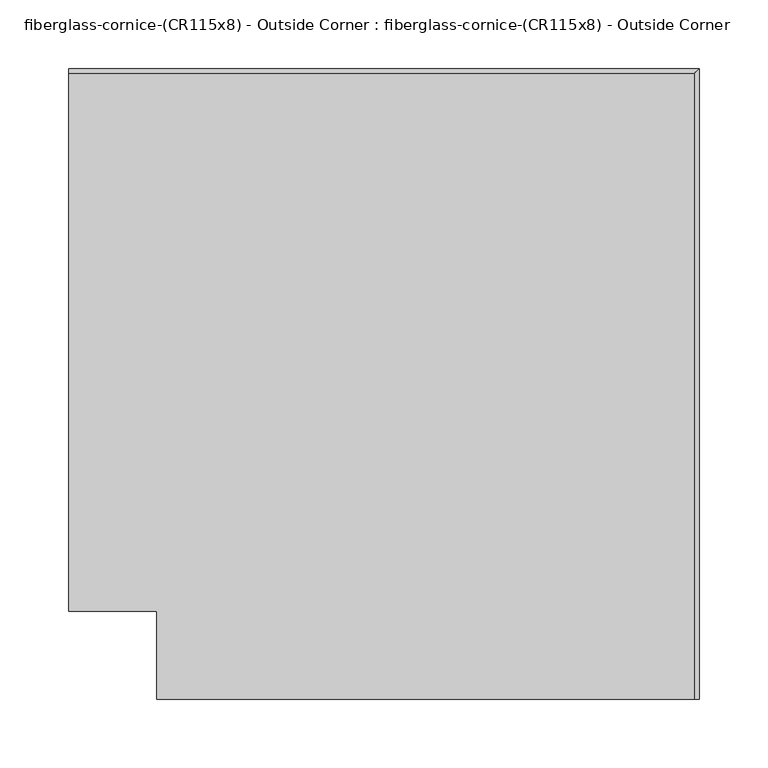
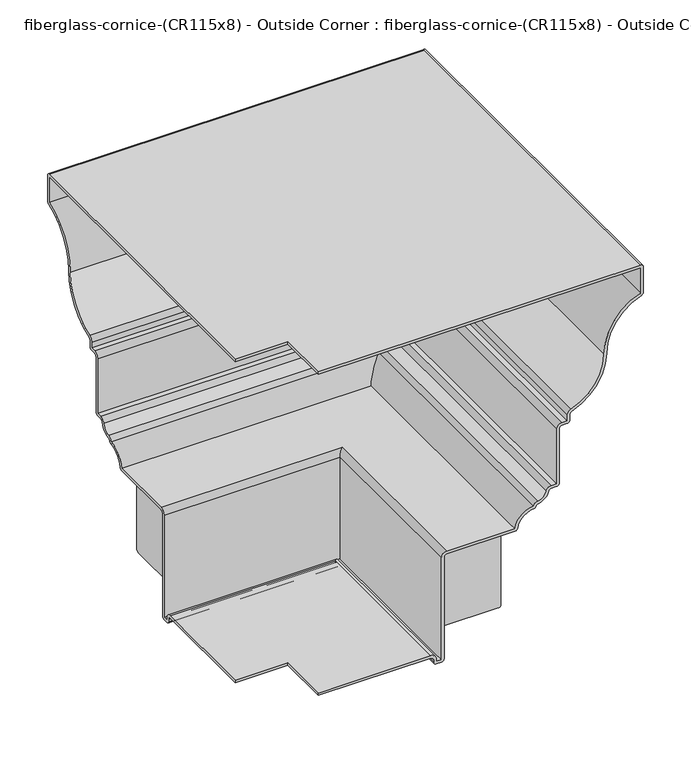
"""IFC4 building model written with IfcOpenShell, lengths in millimetres: furniture geometry, fiberglass-cornice-(CR115x8) - Outside Corner : fiberglass-cornice-(CR115x8) - Outside Corner."""

from ifc_helpers import new_model, si_unit, frame, origin, place, context, project, spatial, polyline, circle_curve, ellipse_curve, source, transform, mapped, element, save
from ifc_brep_helpers import plane_surface, cylinder_surface, revolved_surface, advanced_brep


def fiberglass_cornice_cr115x8_outside_corner_fiberglass_cornice_b99825be(model_context):
    return source(origin(), model_context, "Body", "AdvancedBrep", [
        advanced_brep(
        [(-107.9812347, 254.0002669, 133.3535912), (-107.9812347, 254.0002669, 34.9351726), (-107.9812347, 327.0745896, 34.9351726), (-107.9812347, 330.231667, 38.09225), (-107.9812347, 330.231667, 136.5250208), (-107.9812347, 257.175265, 136.5250208), (-184.2126348, 254.0002669, 133.3535912), (-184.2126348, 257.1752649, 136.5250039), (-184.2126348, 330.231667, 136.5250208), (-184.2126348, 330.231667, 38.09225), (-184.2126348, 327.0745896, 34.9351726), (-184.2126348, 254.0002669, 34.9351726)],
        [
            (0, 1),
            (1, 2),
            (2, 3, circle_curve(frame((-107.9812347, 327.0745896, 38.09225), z_axis=(1.0, 0.0, 0.0), x_axis=(0.0, 1.0, 0.0)), 3.1570774)),
            (3, 4),
            (4, 5),
            (5, 0, circle_curve(frame((-107.9812347, 257.1752649, 133.3500039), z_axis=(1.0, 0.0, 0.0), x_axis=(0.0, 1.0, 0.0)), 3.175)),
            (6, 7, circle_curve(frame((-184.2126348, 257.1752649, 133.3500039), z_axis=(-1.0, 0.0, 0.0), x_axis=(0.0, 1.0, 0.0)), 3.175)),
            (7, 8),
            (8, 9),
            (9, 10, circle_curve(frame((-184.2126348, 327.0745896, 38.09225), z_axis=(-1.0, 0.0, 0.0), x_axis=(0.0, 1.0, 0.0)), 3.1570774)),
            (10, 11),
            (11, 6),
            (5, 7),
            (6, 0),
            (4, 8),
            (3, 9),
            (2, 10),
            (1, 11),
        ],
        [
            plane_surface(frame((-107.9812347, 260.3502649, 133.3500039), z_axis=(1.0, 0.0, 0.0), x_axis=(0.0, 0.0, -1.0))),
            plane_surface(frame((-184.2126348, 260.3502649, 133.3500039), z_axis=(-1.0, 0.0, 0.0), x_axis=(0.0, 0.0, 1.0))),
            cylinder_surface(frame((-184.2126348, 257.1752649, 133.3500039), z_axis=(1.0, 0.0, 0.0), x_axis=(0.0, 1.0, 0.0)), 3.175),
            plane_surface(frame((-107.9812347, 257.175265, 136.5250208), z_axis=(0.0, 0.0, 1.0), x_axis=(-1.0, 0.0, 0.0))),
            plane_surface(frame((-107.9812347, 330.231667, 136.5250208), z_axis=(0.0, 1.0, 0.0), x_axis=(-1.0, 0.0, 0.0))),
            cylinder_surface(frame((-184.2126348, 327.0745896, 38.09225), z_axis=(1.0, 0.0, 0.0), x_axis=(0.0, 1.0, 0.0)), 3.1570774),
            plane_surface(frame((-107.9812347, 327.0745896, 34.9351726), z_axis=(0.0, 0.0, -1.0), x_axis=(-1.0, 0.0, 0.0))),
            plane_surface(frame((-107.9812347, 254.0002669, 34.9351726), z_axis=(0.0, -1.0, 0.0), x_axis=(-1.0, 0.0, 0.0))),
        ],
        [
            (0, [[1, 2, 3, 4, 5, 6]]),
            (1, [[7, 8, 9, 10, 11, 12]]),
            (2, [[13, -7, 14, -6]]),
            (3, [[15, -8, -13, -5]]),
            (4, [[16, -9, -15, -4]]),
            (5, [[17, -10, -16, -3]]),
            (6, [[18, -11, -17, -2]]),
            (7, [[-14, -12, -18, -1]]),
        ],
    ),
        advanced_brep(
        [(-6.3498347, 254.0002669, 133.3535912), (-6.3498347, 254.0002669, 34.9351726), (-6.3498347, 327.0745896, 34.9351726), (-6.3498347, 330.231667, 38.09225), (-6.3498347, 330.231667, 136.5250208), (-6.3498347, 257.175265, 136.5250208), (-82.5812347, 254.0002669, 133.3535912), (-82.5812347, 257.1752649, 136.5250039), (-82.5812347, 330.231667, 136.5250208), (-82.5812347, 330.231667, 38.09225), (-82.5812347, 327.0745896, 34.9351726), (-82.5812347, 254.0002669, 34.9351726)],
        [
            (0, 1),
            (1, 2),
            (2, 3, circle_curve(frame((-6.3498347, 327.0745896, 38.09225), z_axis=(1.0, 0.0, 0.0), x_axis=(0.0, 1.0, 0.0)), 3.1570774)),
            (3, 4),
            (4, 5),
            (5, 0, circle_curve(frame((-6.3498347, 257.1752649, 133.3500039), z_axis=(1.0, 0.0, 0.0), x_axis=(0.0, 1.0, 0.0)), 3.175)),
            (6, 7, circle_curve(frame((-82.5812347, 257.1752649, 133.3500039), z_axis=(-1.0, 0.0, 0.0), x_axis=(0.0, 1.0, 0.0)), 3.175)),
            (7, 8),
            (8, 9),
            (9, 10, circle_curve(frame((-82.5812347, 327.0745896, 38.09225), z_axis=(-1.0, 0.0, 0.0), x_axis=(0.0, 1.0, 0.0)), 3.1570774)),
            (10, 11),
            (11, 6),
            (5, 7),
            (6, 0),
            (4, 8),
            (3, 9),
            (2, 10),
            (1, 11),
        ],
        [
            plane_surface(frame((-6.3498347, 260.3502649, 133.3500039), z_axis=(1.0, 0.0, 0.0), x_axis=(0.0, 0.0, -1.0))),
            plane_surface(frame((-82.5812347, 260.3502649, 133.3500039), z_axis=(-1.0, 0.0, 0.0), x_axis=(0.0, 0.0, 1.0))),
            cylinder_surface(frame((-82.5812347, 257.1752649, 133.3500039), z_axis=(1.0, 0.0, 0.0), x_axis=(0.0, 1.0, 0.0)), 3.175),
            plane_surface(frame((-6.3498347, 257.175265, 136.5250208), z_axis=(0.0, 0.0, 1.0), x_axis=(-1.0, 0.0, 0.0))),
            plane_surface(frame((-6.3498347, 330.231667, 136.5250208), z_axis=(0.0, 1.0, 0.0), x_axis=(-1.0, 0.0, 0.0))),
            cylinder_surface(frame((-82.5812347, 327.0745896, 38.09225), z_axis=(1.0, 0.0, 0.0), x_axis=(0.0, 1.0, 0.0)), 3.1570774),
            plane_surface(frame((-6.3498347, 327.0745896, 34.9351726), z_axis=(0.0, 0.0, -1.0), x_axis=(-1.0, 0.0, 0.0))),
            plane_surface(frame((-6.3498347, 254.0002669, 34.9351726), z_axis=(0.0, -1.0, 0.0), x_axis=(-1.0, 0.0, 0.0))),
        ],
        [
            (0, [[1, 2, 3, 4, 5, 6]]),
            (1, [[7, 8, 9, 10, 11, 12]]),
            (2, [[13, -7, 14, -6]]),
            (3, [[15, -8, -13, -5]]),
            (4, [[16, -9, -15, -4]]),
            (5, [[17, -10, -16, -3]]),
            (6, [[18, -11, -17, -2]]),
            (7, [[-14, -12, -18, -1]]),
        ],
    ),
        advanced_brep(
        [(19.0504155, 126.9686167, 133.3535912), (22.2254135, 126.9686167, 136.5250039), (95.2818156, 126.9686167, 136.5250208), (95.2818156, 126.9686167, 38.09225), (92.1247382, 126.9686167, 34.9351726), (19.0504155, 126.9686167, 34.9351726), (19.0504155, 50.7372166, 133.3535912), (19.0504155, 50.7372166, 34.9351726), (92.1247382, 50.7372166, 34.9351726), (95.2818156, 50.7372166, 38.09225), (95.2818156, 50.7372166, 136.5250208), (22.2254136, 50.7372166, 136.5250208)],
        [
            (0, 1, circle_curve(frame((22.2254135, 126.9686167, 133.3500039), z_axis=(0.0, 1.0, 0.0), x_axis=(1.0, 0.0, 0.0)), 3.175)),
            (1, 2),
            (2, 3),
            (3, 4, circle_curve(frame((92.1247382, 126.9686167, 38.09225), z_axis=(0.0, 1.0, 0.0), x_axis=(1.0, 0.0, 0.0)), 3.1570774)),
            (4, 5),
            (5, 0),
            (6, 7),
            (7, 8),
            (8, 9, circle_curve(frame((92.1247382, 50.7372166, 38.09225), z_axis=(0.0, -1.0, 0.0), x_axis=(1.0, 0.0, 0.0)), 3.1570774)),
            (9, 10),
            (10, 11),
            (11, 6, circle_curve(frame((22.2254135, 50.7372166, 133.3500039), z_axis=(0.0, -1.0, 0.0), x_axis=(1.0, 0.0, 0.0)), 3.175)),
            (0, 6),
            (11, 1),
            (10, 2),
            (9, 3),
            (8, 4),
            (7, 5),
        ],
        [
            plane_surface(frame((25.4004135, 126.9686167, 133.3500039), z_axis=(0.0, 1.0, 0.0), x_axis=(0.0, 0.0, -1.0))),
            plane_surface(frame((25.4004135, 50.7372166, 133.3500039), z_axis=(0.0, -1.0, 0.0), x_axis=(0.0, 0.0, 1.0))),
            cylinder_surface(frame((22.2254135, 50.7372166, 133.3500039), z_axis=(0.0, 1.0, 0.0), x_axis=(1.0, 0.0, 0.0)), 3.175),
            plane_surface(frame((22.2254136, 126.9686167, 136.5250208), z_axis=(0.0, 0.0, 1.0), x_axis=(0.0, -1.0, 0.0))),
            plane_surface(frame((95.2818156, 126.9686167, 136.5250208), z_axis=(1.0, 0.0, 0.0), x_axis=(0.0, -1.0, 0.0))),
            cylinder_surface(frame((92.1247382, 50.7372166, 38.09225), z_axis=(0.0, 1.0, 0.0), x_axis=(1.0, 0.0, 0.0)), 3.1570774),
            plane_surface(frame((92.1247382, 126.9686167, 34.9351726), z_axis=(0.0, 0.0, -1.0), x_axis=(0.0, -1.0, 0.0))),
            plane_surface(frame((19.0504155, 126.9686167, 34.9351726), z_axis=(-1.0, 0.0, 0.0), x_axis=(0.0, -1.0, 0.0))),
        ],
        [
            (0, [[1, 2, 3, 4, 5, 6]]),
            (1, [[7, 8, 9, 10, 11, 12]]),
            (2, [[-1, 13, -12, 14]]),
            (3, [[-2, -14, -11, 15]]),
            (4, [[-3, -15, -10, 16]]),
            (5, [[-4, -16, -9, 17]]),
            (6, [[-5, -17, -8, 18]]),
            (7, [[-6, -18, -7, -13]]),
        ],
    ),
        advanced_brep(
        [(19.0504155, 228.6000168, 133.3535912), (22.2254135, 228.6000168, 136.5250039), (95.2818156, 228.6000168, 136.5250208), (95.2818156, 228.6000168, 38.09225), (92.1247382, 228.6000168, 34.9351726), (19.0504155, 228.6000168, 34.9351726), (19.0504155, 152.3686167, 133.3535912), (19.0504155, 152.3686167, 34.9351726), (92.1247382, 152.3686167, 34.9351726), (95.2818156, 152.3686167, 38.09225), (95.2818156, 152.3686167, 136.5250208), (22.2254136, 152.3686167, 136.5250208)],
        [
            (0, 1, circle_curve(frame((22.2254135, 228.6000168, 133.3500039), z_axis=(0.0, 1.0, 0.0), x_axis=(1.0, 0.0, 0.0)), 3.175)),
            (1, 2),
            (2, 3),
            (3, 4, circle_curve(frame((92.1247382, 228.6000168, 38.09225), z_axis=(0.0, 1.0, 0.0), x_axis=(1.0, 0.0, 0.0)), 3.1570774)),
            (4, 5),
            (5, 0),
            (6, 7),
            (7, 8),
            (8, 9, circle_curve(frame((92.1247382, 152.3686167, 38.09225), z_axis=(0.0, -1.0, 0.0), x_axis=(1.0, 0.0, 0.0)), 3.1570774)),
            (9, 10),
            (10, 11),
            (11, 6, circle_curve(frame((22.2254135, 152.3686167, 133.3500039), z_axis=(0.0, -1.0, 0.0), x_axis=(1.0, 0.0, 0.0)), 3.175)),
            (0, 6),
            (11, 1),
            (10, 2),
            (9, 3),
            (8, 4),
            (7, 5),
        ],
        [
            plane_surface(frame((25.4004135, 228.6000168, 133.3500039), z_axis=(0.0, 1.0, 0.0), x_axis=(0.0, 0.0, -1.0))),
            plane_surface(frame((25.4004135, 152.3686167, 133.3500039), z_axis=(0.0, -1.0, 0.0), x_axis=(0.0, 0.0, 1.0))),
            cylinder_surface(frame((22.2254135, 152.3686167, 133.3500039), z_axis=(0.0, 1.0, 0.0), x_axis=(1.0, 0.0, 0.0)), 3.175),
            plane_surface(frame((22.2254136, 228.6000168, 136.5250208), z_axis=(0.0, 0.0, 1.0), x_axis=(0.0, -1.0, 0.0))),
            plane_surface(frame((95.2818156, 228.6000168, 136.5250208), z_axis=(1.0, 0.0, 0.0), x_axis=(0.0, -1.0, 0.0))),
            cylinder_surface(frame((92.1247382, 152.3686167, 38.09225), z_axis=(0.0, 1.0, 0.0), x_axis=(1.0, 0.0, 0.0)), 3.1570774),
            plane_surface(frame((92.1247382, 228.6000168, 34.9351726), z_axis=(0.0, 0.0, -1.0), x_axis=(0.0, -1.0, 0.0))),
            plane_surface(frame((19.0504155, 228.6000168, 34.9351726), z_axis=(-1.0, 0.0, 0.0), x_axis=(0.0, -1.0, 0.0))),
        ],
        [
            (0, [[1, 2, 3, 4, 5, 6]]),
            (1, [[7, 8, 9, 10, 11, 12]]),
            (2, [[-1, 13, -12, 14]]),
            (3, [[-2, -14, -11, 15]]),
            (4, [[-3, -15, -10, 16]]),
            (5, [[-4, -16, -9, 17]]),
            (6, [[-5, -17, -8, 18]]),
            (7, [[-6, -18, -7, -13]]),
        ],
    ),
        advanced_brep(
        [(-196.9488213, 101.6, 423.8624861), (-196.9488213, 492.1344313, 423.8624861), (-196.9488213, 495.3000111, 420.6847078), (-196.9488213, 495.3000111, 388.0554961), (-196.9488213, 493.1724909, 385.0610541), (-196.9488213, 450.8500123, 325.4375001), (-196.9488213, 408.5275337, 265.8139461), (-196.9488213, 406.4000123, 262.8167118), (-196.9488213, 406.4000121, 255.5875001), (-196.9488213, 403.2250123, 252.4125001), (-196.9488213, 396.8706102, 252.4124971), (-196.9488213, 393.7000123, 249.2375001), (-196.9488213, 393.7000123, 179.3875001), (-196.9488213, 390.520327, 176.2125036), (-196.9488213, 383.8030364, 176.2125036), (-196.9488213, 380.6951554, 173.6868832), (-196.9488213, 367.925488, 161.9912934), (-196.9488213, 365.2162002, 159.5939258), (-196.9488213, 362.3268346, 157.1803512), (-196.9488213, 343.0839049, 139.2776723), (-196.9488213, 339.9320454, 136.5250042), (-196.9488213, 257.1750072, 136.5250042), (-196.9488213, 254.0000168, 133.3446651), (-196.9488213, 254.0000168, 3.1750002), (-196.9488213, 250.8250123, 1e-07), (-196.9488213, 244.4750123, 0.0), (-196.9488213, 241.3000123, 3.1750001), (-196.9488213, 241.3000104, 6.3465418), (-196.9488213, 238.1250123, 9.5250001), (-196.9488213, 101.6, 9.5250001), (-196.9488213, 101.6, 12.7000001), (-196.9488213, 238.1250123, 12.7000001), (-196.9488213, 244.4750104, 6.3451093), (-196.9488213, 244.4750104, 3.175), (-196.9488213, 250.8250168, 3.175), (-196.9488213, 250.8250168, 133.3424553), (-196.9488213, 257.1750021, 139.7000001), (-196.9488213, 339.9371192, 139.7000042), (-196.9488213, 362.1323882, 160.3493914), (-196.9488213, 367.5509638, 165.1441265), (-196.9488213, 377.587274, 174.3362663), (-196.9488213, 383.803036, 179.3875001), (-196.9488213, 390.5250123, 179.3875036), (-196.9488213, 390.5250123, 249.2375001), (-196.9488213, 396.8687868, 255.5874971), (-196.9488213, 403.2250121, 255.5874971), (-196.9488213, 403.2250121, 262.8167118), (-196.9488213, 407.480055, 268.8111805), (-196.9488213, 447.6750123, 325.4375001), (-196.9488213, 492.1250111, 388.058288), (-196.9488213, 492.1250111, 420.6874861), (-196.9488213, 101.6, 420.6874861), (-133.3496026, 38.0007813, 423.8624861), (-133.3496026, 38.0007813, 420.6874861), (257.1754085, 38.0007813, 420.6874861), (257.1754085, 38.0007813, 388.058288), (212.7254097, 38.0007813, 325.4375001), (172.5304524, 38.0007813, 268.8111805), (168.2754097, 38.0007813, 262.8167118), (168.2754096, 38.0007813, 255.5874971), (161.9191842, 38.0007813, 255.5874971), (155.5754097, 38.0007813, 249.2375001), (155.5754097, 38.0007813, 179.3875036), (148.8534338, 38.0007813, 179.3875036), (142.6376714, 38.0007813, 174.3362663), (132.6013612, 38.0007813, 165.1441265), (127.1827856, 38.0007813, 160.3493914), (104.9875166, 38.0007813, 139.7000042), (22.2254046, 38.0007813, 139.7000042), (15.8754142, 38.0007813, 133.3424553), (15.8754142, 38.0007813, 3.175), (9.5254078, 38.0007813, 3.175), (9.5254078, 38.0007813, 6.3451093), (3.1754097, 38.0007813, 12.7000001), (-133.3496026, 38.0007813, 12.7000001), (-133.3496026, 38.0007813, 9.5250001), (3.1754097, 38.0007813, 9.5250001), (6.3504078, 38.0007813, 6.3465418), (6.3504078, 38.0007813, 3.1750002), (9.5254097, 38.0007813, 1e-07), (15.8754097, 38.0007813, 0.0), (19.0504097, 38.0007813, 3.1750001), (19.0504142, 38.0007813, 133.3446651), (22.2254046, 38.0007813, 136.5250001), (104.9824428, 38.0007813, 136.5250042), (108.1343023, 38.0007813, 139.2776723), (127.377232, 38.0007813, 157.1803512), (130.2665976, 38.0007813, 159.5939258), (132.9758854, 38.0007813, 161.9912934), (145.7455528, 38.0007813, 173.6868832), (148.8534338, 38.0007813, 176.2125001), (155.5707244, 38.0007813, 176.2125036), (158.7504097, 38.0007813, 179.3875001), (158.7504097, 38.0007813, 249.2375001), (161.9210076, 38.0007813, 252.4124971), (168.2754097, 38.0007813, 252.4124971), (171.4504097, 38.0007813, 255.5875001), (171.4504096, 38.0007813, 262.8167118), (173.5779311, 38.0007813, 265.8139461), (215.9004097, 38.0007813, 325.4375001), (258.2228883, 38.0007813, 385.0610541), (260.3504085, 38.0007813, 388.0554961), (260.3504085, 38.0007813, 420.6847078), (257.1848287, 38.0007813, 423.8624861), (260.3504085, 495.3000111, 420.6847078), (257.1848287, 492.1344313, 423.8624861), (260.3504085, 495.3000111, 388.0554961), (258.2228883, 493.1724909, 385.0610541), (215.9004097, 450.8500123, 325.4375001), (173.5779311, 408.5275337, 265.8139461), (171.4504097, 406.4000123, 262.8167118), (171.4504096, 406.4000121, 255.5875001), (168.2754097, 403.2250123, 252.4125001), (158.7504097, 393.7000123, 249.2375001), (161.9210076, 396.8706102, 252.4124971), (158.7504097, 393.7000123, 179.3875001), (155.5707244, 390.520327, 176.2125036), (145.7455528, 380.6951554, 173.6868832), (148.8534338, 383.8030364, 176.2125001), (132.9758854, 367.925488, 161.9912934), (130.2665976, 365.2162002, 159.5939258), (127.377232, 362.3268346, 157.1803512), (108.1343023, 343.0839049, 139.2776723), (104.9824428, 339.9320454, 136.5250042), (19.0504142, 254.0000168, 133.3446651), (22.2254046, 257.1750072, 136.5250001), (19.0504142, 254.0000168, 3.1750002), (15.8754097, 250.8250123, 1e-07), (6.3504097, 241.3000123, 3.1750001), (9.5254097, 244.4750123, 1e-07), (6.3504078, 241.3000104, 6.3465418), (3.1754097, 238.1250123, 9.5250001), (-133.3496026, 101.6, 12.7000001), (-133.3496026, 101.6, 9.5250001), (9.5254078, 244.4750104, 6.3451093), (3.1754097, 238.1250123, 12.7000001), (9.5254078, 244.4750104, 3.175), (15.8754142, 250.8250168, 133.3424553), (15.8754142, 250.8250168, 3.175), (22.2253995, 257.1750021, 139.7000001), (127.1827856, 362.1323882, 160.3493914), (104.9875166, 339.9371192, 139.7000042), (132.6013612, 367.5509638, 165.1441265), (142.6376714, 377.587274, 174.3362663), (148.8534334, 383.803036, 179.3875001), (155.5754097, 390.5250123, 249.2375001), (155.5754097, 390.5250123, 179.3875036), (161.9191842, 396.8687868, 255.5874971), (168.2754096, 403.2250121, 262.8167118), (168.2754096, 403.2250121, 255.5874971), (172.5304524, 407.480055, 268.8111805), (212.7254097, 447.6750123, 325.4375001), (257.1754085, 492.1250111, 388.058288), (257.1754085, 492.1250111, 420.6874861), (-133.3496026, 101.6, 423.8624861), (-133.3496026, 101.6, 420.6874861)],
        [
            (0, 1),
            (1, 2, circle_curve(frame((-196.9488213, 492.1250123, 420.6875001), z_axis=(-1.0, 0.0, 0.0), x_axis=(0.0, -1.0, 0.0)), 3.175)),
            (2, 3),
            (3, 4, circle_curve(frame((-196.9488213, 492.1250123, 388.0582884), z_axis=(-1.0, 0.0, 0.0), x_axis=(0.0, -1.0, 0.0)), 3.175)),
            (4, 5, circle_curve(frame((-196.9488213, 514.0098337, 325.4375001), z_axis=(1.0, 0.0, 0.0), x_axis=(0.0, -1.0, 0.0)), 63.1598214)),
            (5, 6, circle_curve(frame((-196.9488213, 387.6901909, 325.4375001), z_axis=(-1.0, 0.0, 0.0), x_axis=(0.0, -1.0, 0.0)), 63.1598214)),
            (6, 7, circle_curve(frame((-196.9488213, 409.5750123, 262.8167118), z_axis=(1.0, 0.0, 0.0), x_axis=(0.0, -1.0, 0.0)), 3.175)),
            (7, 8),
            (8, 9, circle_curve(frame((-196.9488213, 403.2250123, 255.5875001), z_axis=(-1.0, 0.0, 0.0), x_axis=(0.0, -1.0, 0.0)), 3.175)),
            (9, 10),
            (10, 11, circle_curve(frame((-196.9488213, 396.8750123, 249.2375001), z_axis=(1.0, 0.0, 0.0), x_axis=(0.0, -1.0, 0.0)), 3.175)),
            (11, 12),
            (12, 13, circle_curve(frame((-196.9488213, 390.5250123, 179.3875001), z_axis=(-1.0, 0.0, 0.0), x_axis=(0.0, -1.0, 0.0)), 3.175)),
            (13, 14),
            (14, 15, circle_curve(frame((-196.9488213, 383.8030368, 173.0375001), z_axis=(1.0, 0.0, 0.0), x_axis=(0.0, -1.0, 0.0)), 3.175)),
            (15, 16, circle_curve(frame((-196.9488213, 366.1757898, 176.7206641), z_axis=(-1.0, 0.0, 0.0), x_axis=(0.0, -1.0, 0.0)), 14.8329297)),
            (16, 17, circle_curve(frame((-196.9488213, 368.3000123, 158.8384603), z_axis=(1.0, 0.0, 0.0), x_axis=(0.0, -1.0, 0.0)), 3.175)),
            (17, 18, circle_curve(frame((-196.9488213, 362.1323882, 160.3493914), z_axis=(-1.0, 0.0, 0.0), x_axis=(0.0, -1.0, 0.0)), 3.175)),
            (18, 19, circle_curve(frame((-196.9488213, 363.5942087, 136.5250001), z_axis=(1.0, 0.0, 0.0), x_axis=(0.0, -1.0, 0.0)), 20.6941964)),
            (19, 20, circle_curve(frame((-196.9488213, 339.9371186, 139.7000001), z_axis=(-1.0, 0.0, 0.0), x_axis=(0.0, -1.0, 0.0)), 3.175)),
            (20, 21),
            (21, 22, circle_curve(frame((-196.9488213, 257.1750123, 133.3500001), z_axis=(1.0, 0.0, 0.0), x_axis=(0.0, -1.0, 0.0)), 3.175)),
            (22, 23),
            (23, 24, circle_curve(frame((-196.9488213, 250.8250123, 3.1750001), z_axis=(-1.0, 0.0, 0.0), x_axis=(0.0, -1.0, 0.0)), 3.175)),
            (24, 25),
            (25, 26, circle_curve(frame((-196.9488213, 244.4750123, 3.1750001), z_axis=(-1.0, 0.0, 0.0), x_axis=(0.0, -1.0, 0.0)), 3.175)),
            (26, 27),
            (27, 28, circle_curve(frame((-196.9488213, 238.1250123, 6.3500001), z_axis=(1.0, 0.0, 0.0), x_axis=(0.0, -1.0, 0.0)), 3.175)),
            (28, 29),
            (29, 30),
            (30, 31),
            (31, 32, circle_curve(frame((-196.9488213, 238.1250123, 6.3500001), z_axis=(-1.0, 0.0, 0.0), x_axis=(0.0, -1.0, 0.0)), 6.35)),
            (32, 33),
            (33, 34),
            (34, 35),
            (35, 36, circle_curve(frame((-196.9488213, 257.1750123, 133.3500001), z_axis=(-1.0, 0.0, 0.0), x_axis=(0.0, -1.0, 0.0)), 6.35)),
            (36, 37),
            (37, 38, circle_curve(frame((-196.9488213, 363.5942087, 136.5250001), z_axis=(-1.0, 0.0, 0.0), x_axis=(0.0, -1.0, 0.0)), 23.8691964)),
            (38, 39, circle_curve(frame((-196.9488213, 368.3000123, 158.8384603), z_axis=(-1.0, 0.0, 0.0), x_axis=(0.0, -1.0, 0.0)), 6.35)),
            (39, 40, circle_curve(frame((-196.9488213, 366.1757898, 176.7206641), z_axis=(1.0, 0.0, 0.0), x_axis=(0.0, -1.0, 0.0)), 11.6579297)),
            (40, 41, circle_curve(frame((-196.9488213, 383.8030368, 173.0375001), z_axis=(-1.0, 0.0, 0.0), x_axis=(0.0, -1.0, 0.0)), 6.35)),
            (41, 42),
            (42, 43),
            (43, 44, circle_curve(frame((-196.9488213, 396.8750123, 249.2375001), z_axis=(-1.0, 0.0, 0.0), x_axis=(0.0, -1.0, 0.0)), 6.35)),
            (44, 45),
            (45, 46),
            (46, 47, circle_curve(frame((-196.9488213, 409.5750123, 262.8167118), z_axis=(-1.0, 0.0, 0.0), x_axis=(0.0, -1.0, 0.0)), 6.35)),
            (47, 48, circle_curve(frame((-196.9488213, 387.6901909, 325.4375001), z_axis=(1.0, 0.0, 0.0), x_axis=(0.0, -1.0, 0.0)), 59.9848214)),
            (48, 49, circle_curve(frame((-196.9488213, 514.0098337, 325.4375001), z_axis=(-1.0, 0.0, 0.0), x_axis=(0.0, -1.0, 0.0)), 66.3348214)),
            (49, 50),
            (50, 51),
            (51, 0),
            (52, 53),
            (53, 54),
            (54, 55),
            (55, 56, circle_curve(frame((279.0602311, 38.0007813, 325.4375001), z_axis=(0.0, -1.0, 0.0), x_axis=(-1.0, 0.0, 0.0)), 66.3348214)),
            (56, 57, circle_curve(frame((152.7405883, 38.0007813, 325.4375001), z_axis=(0.0, 1.0, 0.0), x_axis=(-1.0, 0.0, 0.0)), 59.9848214)),
            (57, 58, circle_curve(frame((174.6254097, 38.0007813, 262.8167118), z_axis=(0.0, -1.0, 0.0), x_axis=(-1.0, 0.0, 0.0)), 6.35)),
            (58, 59),
            (59, 60),
            (60, 61, circle_curve(frame((161.9254097, 38.0007813, 249.2375001), z_axis=(0.0, -1.0, 0.0), x_axis=(-1.0, 0.0, 0.0)), 6.35)),
            (61, 62),
            (62, 63),
            (63, 64, circle_curve(frame((148.8534342, 38.0007813, 173.0375001), z_axis=(0.0, -1.0, 0.0), x_axis=(-1.0, 0.0, 0.0)), 6.35)),
            (64, 65, circle_curve(frame((131.2261872, 38.0007813, 176.7206641), z_axis=(0.0, 1.0, 0.0), x_axis=(-1.0, 0.0, 0.0)), 11.6579297)),
            (65, 66, circle_curve(frame((133.3504097, 38.0007813, 158.8384603), z_axis=(0.0, -1.0, 0.0), x_axis=(-1.0, 0.0, 0.0)), 6.35)),
            (66, 67, circle_curve(frame((128.6446061, 38.0007813, 136.5250001), z_axis=(0.0, -1.0, 0.0), x_axis=(-1.0, 0.0, 0.0)), 23.8691964)),
            (67, 68),
            (68, 69, circle_curve(frame((22.2254097, 38.0007813, 133.3500001), z_axis=(0.0, -1.0, 0.0), x_axis=(-1.0, 0.0, 0.0)), 6.35)),
            (69, 70),
            (70, 71),
            (71, 72),
            (72, 73, circle_curve(frame((3.1754097, 38.0007813, 6.3500001), z_axis=(0.0, -1.0, 0.0), x_axis=(-1.0, 0.0, 0.0)), 6.35)),
            (73, 74),
            (74, 75),
            (75, 76),
            (76, 77, circle_curve(frame((3.1754097, 38.0007813, 6.3500001), z_axis=(0.0, 1.0, 0.0), x_axis=(-1.0, 0.0, 0.0)), 3.175)),
            (77, 78),
            (78, 79, circle_curve(frame((9.5254097, 38.0007813, 3.1750001), z_axis=(0.0, -1.0, 0.0), x_axis=(-1.0, 0.0, 0.0)), 3.175)),
            (79, 80),
            (80, 81, circle_curve(frame((15.8754097, 38.0007813, 3.1750001), z_axis=(0.0, -1.0, 0.0), x_axis=(-1.0, 0.0, 0.0)), 3.175)),
            (81, 82),
            (82, 83, circle_curve(frame((22.2254097, 38.0007813, 133.3500001), z_axis=(0.0, 1.0, 0.0), x_axis=(-1.0, 0.0, 0.0)), 3.175)),
            (83, 84),
            (84, 85, circle_curve(frame((104.987516, 38.0007813, 139.7000001), z_axis=(0.0, -1.0, 0.0), x_axis=(-1.0, 0.0, 0.0)), 3.175)),
            (85, 86, circle_curve(frame((128.6446061, 38.0007813, 136.5250001), z_axis=(0.0, 1.0, 0.0), x_axis=(-1.0, 0.0, 0.0)), 20.6941964)),
            (86, 87, circle_curve(frame((127.1827856, 38.0007813, 160.3493914), z_axis=(0.0, -1.0, 0.0), x_axis=(-1.0, 0.0, 0.0)), 3.175)),
            (87, 88, circle_curve(frame((133.3504097, 38.0007813, 158.8384603), z_axis=(0.0, 1.0, 0.0), x_axis=(-1.0, 0.0, 0.0)), 3.175)),
            (88, 89, circle_curve(frame((131.2261872, 38.0007813, 176.7206641), z_axis=(0.0, -1.0, 0.0), x_axis=(-1.0, 0.0, 0.0)), 14.8329297)),
            (89, 90, circle_curve(frame((148.8534342, 38.0007813, 173.0375001), z_axis=(0.0, 1.0, 0.0), x_axis=(-1.0, 0.0, 0.0)), 3.175)),
            (90, 91),
            (91, 92, circle_curve(frame((155.5754097, 38.0007813, 179.3875001), z_axis=(0.0, -1.0, 0.0), x_axis=(-1.0, 0.0, 0.0)), 3.175)),
            (92, 93),
            (93, 94, circle_curve(frame((161.9254097, 38.0007813, 249.2375001), z_axis=(0.0, 1.0, 0.0), x_axis=(-1.0, 0.0, 0.0)), 3.175)),
            (94, 95),
            (95, 96, circle_curve(frame((168.2754097, 38.0007813, 255.5875001), z_axis=(0.0, -1.0, 0.0), x_axis=(-1.0, 0.0, 0.0)), 3.175)),
            (96, 97),
            (97, 98, circle_curve(frame((174.6254097, 38.0007813, 262.8167118), z_axis=(0.0, 1.0, 0.0), x_axis=(-1.0, 0.0, 0.0)), 3.175)),
            (98, 99, circle_curve(frame((152.7405883, 38.0007813, 325.4375001), z_axis=(0.0, -1.0, 0.0), x_axis=(-1.0, 0.0, 0.0)), 63.1598214)),
            (99, 100, circle_curve(frame((279.0602311, 38.0007813, 325.4375001), z_axis=(0.0, 1.0, 0.0), x_axis=(-1.0, 0.0, 0.0)), 63.1598214)),
            (100, 101, circle_curve(frame((257.1754097, 38.0007813, 388.0582884), z_axis=(0.0, -1.0, 0.0), x_axis=(-1.0, 0.0, 0.0)), 3.175)),
            (101, 102),
            (102, 103, circle_curve(frame((257.1754097, 38.0007813, 420.6875001), z_axis=(0.0, -1.0, 0.0), x_axis=(-1.0, 0.0, 0.0)), 3.175)),
            (103, 52),
            (104, 105, ellipse_curve(frame((257.1754097, 492.1250123, 420.6875001), z_axis=(0.7071067811865446, -0.7071067811865503, 0.0), x_axis=(0.7071067811865503, 0.7071067811865447, 0.0)), 4.4901281, 3.175)),
            (105, 103),
            (102, 104),
            (106, 104),
            (101, 106),
            (107, 106, ellipse_curve(frame((257.1754097, 492.1250123, 388.0582884), z_axis=(0.7071067811865446, -0.7071067811865503, 0.0), x_axis=(0.7071067811865503, 0.7071067811865447, 0.0)), 4.4901281, 3.175)),
            (100, 107),
            (108, 107, ellipse_curve(frame((279.0602311, 514.0098337, 325.4375001), z_axis=(-0.7071067811865446, 0.7071067811865503, 0.0), x_axis=(-0.7071067811865503, -0.7071067811865447, 0.0)), 89.3214761, 63.1598214)),
            (99, 108),
            (109, 108, ellipse_curve(frame((152.7405883, 387.6901909, 325.4375001), z_axis=(0.7071067811865446, -0.7071067811865503, 0.0), x_axis=(0.7071067811865503, 0.7071067811865447, 0.0)), 89.3214761, 63.1598214)),
            (98, 109),
            (110, 109, ellipse_curve(frame((174.6254097, 409.5750123, 262.8167118), z_axis=(-0.7071067811865446, 0.7071067811865503, 0.0), x_axis=(-0.7071067811865503, -0.7071067811865447, 0.0)), 4.4901281, 3.175)),
            (97, 110),
            (111, 110),
            (96, 111),
            (112, 111, ellipse_curve(frame((168.2754097, 403.2250123, 255.5875001), z_axis=(0.7071067811865446, -0.7071067811865503, 0.0), x_axis=(0.7071067811865503, 0.7071067811865447, 0.0)), 4.4901281, 3.175)),
            (95, 112),
            (113, 114, ellipse_curve(frame((161.9254097, 396.8750123, 249.2375001), z_axis=(-0.7071067811865446, 0.7071067811865503, 0.0), x_axis=(-0.7071067811865503, -0.7071067811865447, 0.0)), 4.4901281, 3.175)),
            (114, 94),
            (93, 113),
            (115, 113),
            (92, 115),
            (116, 115, ellipse_curve(frame((155.5754097, 390.5250123, 179.3875001), z_axis=(0.7071067811865446, -0.7071067811865503, 0.0), x_axis=(0.7071067811865503, 0.7071067811865447, 0.0)), 4.4901281, 3.175)),
            (91, 116),
            (117, 118, ellipse_curve(frame((148.8534342, 383.8030368, 173.0375001), z_axis=(-0.7071067811865446, 0.7071067811865503, 0.0), x_axis=(-0.7071067811865503, -0.7071067811865447, 0.0)), 4.4901281, 3.175)),
            (118, 90),
            (89, 117),
            (119, 117, ellipse_curve(frame((131.2261872, 366.1757898, 176.7206641), z_axis=(0.7071067811865446, -0.7071067811865503, 0.0), x_axis=(0.7071067811865503, 0.7071067811865447, 0.0)), 20.9769304, 14.8329297)),
            (88, 119),
            (120, 119, ellipse_curve(frame((133.3504097, 368.3000123, 158.8384603), z_axis=(-0.7071067811865446, 0.7071067811865503, 0.0), x_axis=(-0.7071067811865503, -0.7071067811865447, 0.0)), 4.4901281, 3.175)),
            (87, 120),
            (121, 120, ellipse_curve(frame((127.1827856, 362.1323882, 160.3493914), z_axis=(0.7071067811865446, -0.7071067811865503, 0.0), x_axis=(0.7071067811865503, 0.7071067811865447, 0.0)), 4.4901281, 3.175)),
            (86, 121),
            (122, 121, ellipse_curve(frame((128.6446061, 363.5942087, 136.5250001), z_axis=(-0.7071067811865446, 0.7071067811865503, 0.0), x_axis=(-0.7071067811865503, -0.7071067811865447, 0.0)), 29.2660133, 20.6941964)),
            (85, 122),
            (123, 122, ellipse_curve(frame((104.987516, 339.9371186, 139.7000001), z_axis=(0.7071067811865446, -0.7071067811865503, 0.0), x_axis=(0.7071067811865503, 0.7071067811865447, 0.0)), 4.4901281, 3.175)),
            (84, 123),
            (124, 125, ellipse_curve(frame((22.2254097, 257.1750123, 133.3500001), z_axis=(-0.7071067811865446, 0.7071067811865503, 0.0), x_axis=(-0.7071067811865503, -0.7071067811865447, 0.0)), 4.4901281, 3.175)),
            (125, 83),
            (82, 124),
            (126, 124),
            (81, 126),
            (127, 126, ellipse_curve(frame((15.8754097, 250.8250123, 3.1750001), z_axis=(0.7071067811865446, -0.7071067811865503, 0.0), x_axis=(0.7071067811865503, 0.7071067811865447, 0.0)), 4.4901281, 3.175)),
            (80, 127),
            (128, 129, ellipse_curve(frame((9.5254097, 244.4750123, 3.1750001), z_axis=(0.7071067811865446, -0.7071067811865503, 0.0), x_axis=(0.7071067811865503, 0.7071067811865447, 0.0)), 4.4901281, 3.175)),
            (129, 79),
            (78, 128),
            (130, 128),
            (77, 130),
            (131, 130, ellipse_curve(frame((3.1754097, 238.1250123, 6.3500001), z_axis=(-0.7071067811865446, 0.7071067811865503, 0.0), x_axis=(-0.7071067811865503, -0.7071067811865447, 0.0)), 4.4901281, 3.175)),
            (76, 131),
            (132, 133),
            (133, 75),
            (74, 132),
            (134, 135, ellipse_curve(frame((3.1754097, 238.1250123, 6.3500001), z_axis=(0.7071067811865446, -0.7071067811865503, 0.0), x_axis=(0.7071067811865503, 0.7071067811865447, 0.0)), 8.9802561, 6.35)),
            (135, 73),
            (72, 134),
            (136, 134),
            (71, 136),
            (137, 138),
            (138, 70),
            (69, 137),
            (139, 137, ellipse_curve(frame((22.2254097, 257.1750123, 133.3500001), z_axis=(0.7071067811865446, -0.7071067811865503, 0.0), x_axis=(0.7071067811865503, 0.7071067811865447, 0.0)), 8.9802561, 6.35)),
            (68, 139),
            (140, 141, ellipse_curve(frame((128.6446061, 363.5942087, 136.5250001), z_axis=(0.7071067811865446, -0.7071067811865503, 0.0), x_axis=(0.7071067811865503, 0.7071067811865447, 0.0)), 33.7561413, 23.8691964)),
            (141, 67),
            (66, 140),
            (142, 140, ellipse_curve(frame((133.3504097, 368.3000123, 158.8384603), z_axis=(0.7071067811865446, -0.7071067811865503, 0.0), x_axis=(0.7071067811865503, 0.7071067811865447, 0.0)), 8.9802561, 6.35)),
            (65, 142),
            (143, 142, ellipse_curve(frame((131.2261872, 366.1757898, 176.7206641), z_axis=(-0.7071067811865446, 0.7071067811865503, 0.0), x_axis=(-0.7071067811865503, -0.7071067811865447, 0.0)), 16.4868024, 11.6579297)),
            (64, 143),
            (144, 143, ellipse_curve(frame((148.8534342, 383.8030368, 173.0375001), z_axis=(0.7071067811865446, -0.7071067811865503, 0.0), x_axis=(0.7071067811865503, 0.7071067811865447, 0.0)), 8.9802561, 6.35)),
            (63, 144),
            (145, 146),
            (146, 62),
            (61, 145),
            (147, 145, ellipse_curve(frame((161.9254097, 396.8750123, 249.2375001), z_axis=(0.7071067811865446, -0.7071067811865503, 0.0), x_axis=(0.7071067811865503, 0.7071067811865447, 0.0)), 8.9802561, 6.35)),
            (60, 147),
            (148, 149),
            (149, 59),
            (58, 148),
            (150, 148, ellipse_curve(frame((174.6254097, 409.5750123, 262.8167118), z_axis=(0.7071067811865446, -0.7071067811865503, 0.0), x_axis=(0.7071067811865503, 0.7071067811865447, 0.0)), 8.9802561, 6.35)),
            (57, 150),
            (151, 150, ellipse_curve(frame((152.7405883, 387.6901909, 325.4375001), z_axis=(-0.7071067811865446, 0.7071067811865503, 0.0), x_axis=(-0.7071067811865503, -0.7071067811865447, 0.0)), 84.831348, 59.9848214)),
            (56, 151),
            (152, 151, ellipse_curve(frame((279.0602311, 514.0098337, 325.4375001), z_axis=(0.7071067811865446, -0.7071067811865503, 0.0), x_axis=(0.7071067811865503, 0.7071067811865447, 0.0)), 93.8116041, 66.3348214)),
            (55, 152),
            (153, 152),
            (54, 153),
            (154, 155),
            (155, 53),
            (52, 154),
            (51, 155),
            (154, 0),
            (50, 153),
            (49, 152),
            (48, 151),
            (47, 150),
            (46, 148),
            (45, 149),
            (44, 147),
            (43, 145),
            (42, 146),
            (41, 144),
            (40, 143),
            (39, 142),
            (38, 140),
            (37, 141),
            (36, 139),
            (35, 137),
            (34, 138),
            (33, 136),
            (32, 134),
            (31, 135),
            (30, 132),
            (29, 133),
            (28, 131),
            (27, 130),
            (26, 128),
            (25, 129),
            (24, 127),
            (23, 126),
            (22, 124),
            (21, 125),
            (20, 123),
            (19, 122),
            (18, 121),
            (17, 120),
            (16, 119),
            (15, 117),
            (14, 118),
            (13, 116),
            (12, 115),
            (11, 113),
            (10, 114),
            (9, 112),
            (8, 111),
            (7, 110),
            (6, 109),
            (5, 108),
            (4, 107),
            (3, 106),
            (2, 104),
            (1, 105),
        ],
        [
            plane_surface(frame((-196.9488213, 101.6, 423.8624861), z_axis=(-1.0, 0.0, 0.0), x_axis=(0.0, 0.0, 1.0))),
            plane_surface(frame((-133.3496026, 38.0007813, 423.8624861), z_axis=(0.0, -1.0, 0.0), x_axis=(0.0, 0.0, 1.0))),
            cylinder_surface(frame((257.1754097, 101.6, 420.6875001), z_axis=(0.0, 1.0, 0.0), x_axis=(-1.0, 0.0, 0.0)), 3.175),
            plane_surface(frame((260.3504085, 495.3000111, 420.6847078), z_axis=(1.0, 0.0, 0.0), x_axis=(0.0, -1.0, 0.0))),
            cylinder_surface(frame((257.1754097, 101.6, 388.0582884), z_axis=(0.0, 1.0, 0.0), x_axis=(-1.0, 0.0, 0.0)), 3.175),
            revolved_surface(polyline([(215.9004097, 38.0007813, 325.4375001), (215.9004097, 577.1696551559018, 325.4375001)]), (279.0602311, 101.6, 325.4375001), (0.0, -1.0, 0.0)),
            cylinder_surface(frame((152.7405883, 101.6, 325.4375001), z_axis=(0.0, 1.0, 0.0), x_axis=(-1.0, 0.0, 0.0)), 63.1598214),
            revolved_surface(polyline([(171.4504097, 38.0007813, 262.8167118), (171.4504097, 412.75001232790623, 262.8167118)]), (174.6254097, 101.6, 262.8167118), (0.0, -1.0, 0.0)),
            plane_surface(frame((171.4504096, 406.4000121, 262.8167118), z_axis=(1.0, 0.0, 0.0), x_axis=(0.0, -1.0, 0.0))),
            cylinder_surface(frame((168.2754097, 101.6, 255.5875001), z_axis=(0.0, 1.0, 0.0), x_axis=(-1.0, 0.0, 0.0)), 3.175),
            revolved_surface(polyline([(158.75040969999998, 38.0007813, 249.2375001), (158.75040969999998, 400.0500123279062, 249.2375001)]), (161.9254097, 101.6, 249.2375001), (0.0, -1.0, 0.0)),
            plane_surface(frame((158.7504097, 393.7000123, 249.2375001), z_axis=(1.0, 0.0, 0.0), x_axis=(0.0, -1.0, 0.0))),
            cylinder_surface(frame((155.5754097, 101.6, 179.3875001), z_axis=(0.0, 1.0, 0.0), x_axis=(-1.0, 0.0, 0.0)), 3.175),
            revolved_surface(polyline([(145.6784342, 38.0007813, 173.0375001), (145.6784342, 386.9780368279062, 173.0375001)]), (148.8534342, 101.6, 173.0375001), (0.0, -1.0, 0.0)),
            cylinder_surface(frame((131.2261872, 101.6, 176.7206641), z_axis=(0.0, 1.0, 0.0), x_axis=(-1.0, 0.0, 0.0)), 14.8329297),
            revolved_surface(polyline([(130.1754097, 38.0007813, 158.8384603), (130.1754097, 371.47501232790626, 158.8384603)]), (133.3504097, 101.6, 158.8384603), (0.0, -1.0, 0.0)),
            cylinder_surface(frame((127.1827856, 101.6, 160.3493914), z_axis=(0.0, 1.0, 0.0), x_axis=(-1.0, 0.0, 0.0)), 3.175),
            revolved_surface(polyline([(107.95040970000001, 38.0007813, 136.5250001), (107.95040970000001, 384.28840516272567, 136.5250001)]), (128.6446061, 101.6, 136.5250001), (0.0, -1.0, 0.0)),
            cylinder_surface(frame((104.987516, 101.6, 139.7000001), z_axis=(0.0, 1.0, 0.0), x_axis=(-1.0, 0.0, 0.0)), 3.175),
            revolved_surface(polyline([(19.0504097, 38.0007813, 133.3500001), (19.0504097, 260.35001232790626, 133.3500001)]), (22.2254097, 101.6, 133.3500001), (0.0, -1.0, 0.0)),
            plane_surface(frame((19.0504142, 254.0000168, 133.3446651), z_axis=(1.0, 0.0, 0.0), x_axis=(0.0, -1.0, 0.0))),
            cylinder_surface(frame((15.8754097, 101.6, 3.1750001), z_axis=(0.0, 1.0, 0.0), x_axis=(-1.0, 0.0, 0.0)), 3.175),
            cylinder_surface(frame((9.5254097, 101.6, 3.1750001), z_axis=(0.0, 1.0, 0.0), x_axis=(-1.0, 0.0, 0.0)), 3.175),
            plane_surface(frame((6.3504078, 241.3000104, 3.1750002), z_axis=(-1.0, 0.0, 0.0), x_axis=(0.0, -1.0, 0.0))),
            revolved_surface(polyline([(0.00040970000000006834, 38.0007813, 6.3500001), (0.00040970000000006834, 241.30001232790627, 6.3500001)]), (3.1754097, 101.6, 6.3500001), (0.0, -1.0, 0.0)),
            plane_surface(frame((-133.3496026, 101.6, 9.5250001), z_axis=(-1.0, 0.0, 0.0), x_axis=(0.0, -1.0, 0.0))),
            cylinder_surface(frame((3.1754097, 101.6, 6.3500001), z_axis=(0.0, 1.0, 0.0), x_axis=(-1.0, 0.0, 0.0)), 6.35),
            plane_surface(frame((9.5254078, 244.4750104, 6.3451093), z_axis=(1.0, 0.0, 0.0), x_axis=(0.0, -1.0, 0.0))),
            plane_surface(frame((15.8754142, 250.8250168, 3.175), z_axis=(-1.0, 0.0, 0.0), x_axis=(0.0, -1.0, 0.0))),
            cylinder_surface(frame((22.2254097, 101.6, 133.3500001), z_axis=(0.0, 1.0, 0.0), x_axis=(-1.0, 0.0, 0.0)), 6.35),
            cylinder_surface(frame((128.6446061, 101.6, 136.5250001), z_axis=(0.0, 1.0, 0.0), x_axis=(-1.0, 0.0, 0.0)), 23.8691964),
            cylinder_surface(frame((133.3504097, 101.6, 158.8384603), z_axis=(0.0, 1.0, 0.0), x_axis=(-1.0, 0.0, 0.0)), 6.35),
            revolved_surface(polyline([(119.5682575, 38.0007813, 176.7206641), (119.5682575, 377.8337195771227, 176.7206641)]), (131.2261872, 101.6, 176.7206641), (0.0, -1.0, 0.0)),
            cylinder_surface(frame((148.8534342, 101.6, 173.0375001), z_axis=(0.0, 1.0, 0.0), x_axis=(-1.0, 0.0, 0.0)), 6.35),
            plane_surface(frame((155.5754097, 390.5250123, 179.3875036), z_axis=(-1.0, 0.0, 0.0), x_axis=(0.0, -1.0, 0.0))),
            cylinder_surface(frame((161.9254097, 101.6, 249.2375001), z_axis=(0.0, 1.0, 0.0), x_axis=(-1.0, 0.0, 0.0)), 6.35),
            plane_surface(frame((168.2754096, 403.2250121, 255.5874971), z_axis=(-1.0, 0.0, 0.0), x_axis=(0.0, -1.0, 0.0))),
            cylinder_surface(frame((174.6254097, 101.6, 262.8167118), z_axis=(0.0, 1.0, 0.0), x_axis=(-1.0, 0.0, 0.0)), 6.35),
            revolved_surface(polyline([(92.75576690000001, 38.0007813, 325.4375001), (92.75576690000001, 447.67501232799566, 325.4375001)]), (152.7405883, 101.6, 325.4375001), (0.0, -1.0, 0.0)),
            cylinder_surface(frame((279.0602311, 101.6, 325.4375001), z_axis=(0.0, 1.0, 0.0), x_axis=(-1.0, 0.0, 0.0)), 66.3348214),
            plane_surface(frame((257.1754085, 492.1250111, 388.058288), z_axis=(-1.0, 0.0, 0.0), x_axis=(0.0, -1.0, 0.0))),
            plane_surface(frame((-133.3496026, 101.6, 420.6874861), z_axis=(-1.0, 0.0, 0.0), x_axis=(0.0, -1.0, 0.0))),
            plane_surface(frame((-196.9488213, 101.6, 420.6874861), z_axis=(0.0, -1.0, 0.0), x_axis=(1.0, 0.0, 0.0))),
            plane_surface(frame((-196.9488213, 492.1250111, 420.6874861), z_axis=(0.0, 0.0, -1.0), x_axis=(1.0, 0.0, 0.0))),
            plane_surface(frame((-196.9488213, 492.1250111, 388.058288), z_axis=(0.0, -1.0, 0.0), x_axis=(1.0, 0.0, 0.0))),
            cylinder_surface(frame((-196.9488213, 514.0098337, 325.4375001), z_axis=(-1.0, 0.0, 0.0), x_axis=(0.0, -1.0, 0.0)), 66.3348214),
            revolved_surface(polyline([(212.7254097279961, 327.7053695, 325.4375001), (-196.9488213, 327.7053695, 325.4375001)]), (-196.9488213, 387.6901909, 325.4375001), (1.0, 0.0, 0.0)),
            cylinder_surface(frame((-196.9488213, 409.5750123, 262.8167118), z_axis=(-1.0, 0.0, 0.0), x_axis=(0.0, -1.0, 0.0)), 6.35),
            plane_surface(frame((-196.9488213, 403.2250121, 255.5874971), z_axis=(0.0, -1.0, 0.0), x_axis=(1.0, 0.0, 0.0))),
            plane_surface(frame((-196.9488213, 396.8687868, 255.5874971), z_axis=(0.0, 0.0, 1.0), x_axis=(1.0, 0.0, 0.0))),
            cylinder_surface(frame((-196.9488213, 396.8750123, 249.2375001), z_axis=(-1.0, 0.0, 0.0), x_axis=(0.0, -1.0, 0.0)), 6.35),
            plane_surface(frame((-196.9488213, 390.5250123, 179.3875036), z_axis=(0.0, -1.0, 0.0), x_axis=(1.0, 0.0, 0.0))),
            plane_surface(frame((-196.9488213, 383.8030364, 179.3875036), z_axis=(0.0, 0.0, 1.0), x_axis=(1.0, 0.0, 0.0))),
            cylinder_surface(frame((-196.9488213, 383.8030368, 173.0375001), z_axis=(-1.0, 0.0, 0.0), x_axis=(0.0, -1.0, 0.0)), 6.35),
            revolved_surface(polyline([(142.88411697712272, 354.5178601, 176.7206641), (-196.9488213, 354.5178601, 176.7206641)]), (-196.9488213, 366.1757898, 176.7206641), (1.0, 0.0, 0.0)),
            cylinder_surface(frame((-196.9488213, 368.3000123, 158.8384603), z_axis=(-1.0, 0.0, 0.0), x_axis=(0.0, -1.0, 0.0)), 6.35),
            cylinder_surface(frame((-196.9488213, 363.5942087, 136.5250001), z_axis=(-1.0, 0.0, 0.0), x_axis=(0.0, -1.0, 0.0)), 23.8691964),
            plane_surface(frame((-196.9488213, 257.1750072, 139.7000042), z_axis=(0.0, 0.0, 1.0), x_axis=(1.0, 0.0, 0.0))),
            cylinder_surface(frame((-196.9488213, 257.1750123, 133.3500001), z_axis=(-1.0, 0.0, 0.0), x_axis=(0.0, -1.0, 0.0)), 6.35),
            plane_surface(frame((-196.9488213, 250.8250168, 3.175), z_axis=(0.0, -1.0, 0.0), x_axis=(1.0, 0.0, 0.0))),
            plane_surface(frame((-196.9488213, 244.4750104, 3.175), z_axis=(0.0, 0.0, 1.0), x_axis=(1.0, 0.0, 0.0))),
            plane_surface(frame((-196.9488213, 244.4750104, 6.3451093), z_axis=(0.0, 1.0, 0.0), x_axis=(1.0, 0.0, 0.0))),
            cylinder_surface(frame((-196.9488213, 238.1250123, 6.3500001), z_axis=(-1.0, 0.0, 0.0), x_axis=(0.0, -1.0, 0.0)), 6.35),
            plane_surface(frame((-196.9488213, 101.6, 12.7000001), z_axis=(0.0, 0.0, 1.0), x_axis=(1.0, 0.0, 0.0))),
            plane_surface(frame((-196.9488213, 101.6, 9.5250001), z_axis=(0.0, -1.0, 0.0), x_axis=(1.0, 0.0, 0.0))),
            plane_surface(frame((-196.9488213, 238.1250123, 9.5250001), z_axis=(0.0, 0.0, -1.0), x_axis=(1.0, 0.0, 0.0))),
            revolved_surface(polyline([(6.350409727906282, 234.9500123, 6.3500001), (-196.9488213, 234.9500123, 6.3500001)]), (-196.9488213, 238.1250123, 6.3500001), (1.0, 0.0, 0.0)),
            plane_surface(frame((-196.9488213, 241.3000104, 3.1750002), z_axis=(0.0, -1.0, 0.0), x_axis=(1.0, 0.0, 0.0))),
            cylinder_surface(frame((-196.9488213, 244.4750123, 3.1750001), z_axis=(-1.0, 0.0, 0.0), x_axis=(0.0, -1.0, 0.0)), 3.175),
            plane_surface(frame((-196.9488213, 250.8250123, 0.0), z_axis=(0.0, 0.0, -1.0), x_axis=(1.0, 0.0, 0.0))),
            cylinder_surface(frame((-196.9488213, 250.8250123, 3.1750001), z_axis=(-1.0, 0.0, 0.0), x_axis=(0.0, -1.0, 0.0)), 3.175),
            plane_surface(frame((-196.9488213, 254.0000168, 133.3446651), z_axis=(0.0, 1.0, 0.0), x_axis=(1.0, 0.0, 0.0))),
            revolved_surface(polyline([(25.400409727906293, 254.00001229999998, 133.3500001), (-196.9488213, 254.00001229999998, 133.3500001)]), (-196.9488213, 257.1750123, 133.3500001), (1.0, 0.0, 0.0)),
            plane_surface(frame((-196.9488213, 339.9320454, 136.5250042), z_axis=(0.0, 0.0, -1.0), x_axis=(1.0, 0.0, 0.0))),
            cylinder_surface(frame((-196.9488213, 339.9371186, 139.7000001), z_axis=(-1.0, 0.0, 0.0), x_axis=(0.0, -1.0, 0.0)), 3.175),
            revolved_surface(polyline([(149.33880256272576, 342.9000123, 136.5250001), (-196.9488213, 342.9000123, 136.5250001)]), (-196.9488213, 363.5942087, 136.5250001), (1.0, 0.0, 0.0)),
            cylinder_surface(frame((-196.9488213, 362.1323882, 160.3493914), z_axis=(-1.0, 0.0, 0.0), x_axis=(0.0, -1.0, 0.0)), 3.175),
            revolved_surface(polyline([(136.52540972790624, 365.1250123, 158.8384603), (-196.9488213, 365.1250123, 158.8384603)]), (-196.9488213, 368.3000123, 158.8384603), (1.0, 0.0, 0.0)),
            cylinder_surface(frame((-196.9488213, 366.1757898, 176.7206641), z_axis=(-1.0, 0.0, 0.0), x_axis=(0.0, -1.0, 0.0)), 14.8329297),
            revolved_surface(polyline([(152.02843422790627, 380.62803679999996, 173.0375001), (-196.9488213, 380.62803679999996, 173.0375001)]), (-196.9488213, 383.8030368, 173.0375001), (1.0, 0.0, 0.0)),
            plane_surface(frame((-196.9488213, 390.520327, 176.2125036), z_axis=(0.0, 0.0, -1.0), x_axis=(1.0, 0.0, 0.0))),
            cylinder_surface(frame((-196.9488213, 390.5250123, 179.3875001), z_axis=(-1.0, 0.0, 0.0), x_axis=(0.0, -1.0, 0.0)), 3.175),
            plane_surface(frame((-196.9488213, 393.7000123, 249.2375001), z_axis=(0.0, 1.0, 0.0), x_axis=(1.0, 0.0, 0.0))),
            revolved_surface(polyline([(165.10040972790628, 393.70001229999997, 249.2375001), (-196.9488213, 393.70001229999997, 249.2375001)]), (-196.9488213, 396.8750123, 249.2375001), (1.0, 0.0, 0.0)),
            plane_surface(frame((-196.9488213, 403.2250123, 252.4124971), z_axis=(0.0, 0.0, -1.0), x_axis=(1.0, 0.0, 0.0))),
            cylinder_surface(frame((-196.9488213, 403.2250123, 255.5875001), z_axis=(-1.0, 0.0, 0.0), x_axis=(0.0, -1.0, 0.0)), 3.175),
            plane_surface(frame((-196.9488213, 406.4000121, 262.8167118), z_axis=(0.0, 1.0, 0.0), x_axis=(1.0, 0.0, 0.0))),
            revolved_surface(polyline([(177.80040972790627, 406.4000123, 262.8167118), (-196.9488213, 406.4000123, 262.8167118)]), (-196.9488213, 409.5750123, 262.8167118), (1.0, 0.0, 0.0)),
            cylinder_surface(frame((-196.9488213, 387.6901909, 325.4375001), z_axis=(-1.0, 0.0, 0.0), x_axis=(0.0, -1.0, 0.0)), 63.1598214),
            revolved_surface(polyline([(342.2200525559024, 450.85001229999995, 325.4375001), (-196.9488213, 450.85001229999995, 325.4375001)]), (-196.9488213, 514.0098337, 325.4375001), (1.0, 0.0, 0.0)),
            cylinder_surface(frame((-196.9488213, 492.1250123, 388.0582884), z_axis=(-1.0, 0.0, 0.0), x_axis=(0.0, -1.0, 0.0)), 3.175),
            plane_surface(frame((-196.9488213, 495.3000111, 420.6847078), z_axis=(0.0, 1.0, 0.0), x_axis=(1.0, 0.0, 0.0))),
            cylinder_surface(frame((-196.9488213, 492.1250123, 420.6875001), z_axis=(-1.0, 0.0, 0.0), x_axis=(0.0, -1.0, 0.0)), 3.175),
            plane_surface(frame((-196.9488213, 101.6, 423.8624861), z_axis=(0.0, 0.0, 1.0), x_axis=(1.0, 0.0, 0.0))),
        ],
        [
            (0, [[1, 2, 3, 4, 5, 6, 7, 8, 9, 10, 11, 12, 13, 14, 15, 16, 17, 18, 19, 20, 21, 22, 23, 24, 25, 26, 27, 28, 29, 30, 31, 32, 33, 34, 35, 36, 37, 38, 39, 40, 41, 42, 43, 44, 45, 46, 47, 48, 49, 50, 51, 52]]),
            (1, [[53, 54, 55, 56, 57, 58, 59, 60, 61, 62, 63, 64, 65, 66, 67, 68, 69, 70, 71, 72, 73, 74, 75, 76, 77, 78, 79, 80, 81, 82, 83, 84, 85, 86, 87, 88, 89, 90, 91, 92, 93, 94, 95, 96, 97, 98, 99, 100, 101, 102, 103, 104]]),
            (2, [[105, 106, -103, 107]]),
            (3, [[108, -107, -102, 109]]),
            (4, [[110, -109, -101, 111]]),
            (5, [[112, -111, -100, 113]]),
            (6, [[114, -113, -99, 115]]),
            (7, [[116, -115, -98, 117]]),
            (8, [[118, -117, -97, 119]]),
            (9, [[120, -119, -96, 121]]),
            (10, [[122, 123, -94, 124]]),
            (11, [[125, -124, -93, 126]]),
            (12, [[127, -126, -92, 128]]),
            (13, [[129, 130, -90, 131]]),
            (14, [[132, -131, -89, 133]]),
            (15, [[134, -133, -88, 135]]),
            (16, [[136, -135, -87, 137]]),
            (17, [[138, -137, -86, 139]]),
            (18, [[140, -139, -85, 141]]),
            (19, [[142, 143, -83, 144]]),
            (20, [[145, -144, -82, 146]]),
            (21, [[147, -146, -81, 148]]),
            (22, [[149, 150, -79, 151]]),
            (23, [[152, -151, -78, 153]]),
            (24, [[154, -153, -77, 155]]),
            (25, [[156, 157, -75, 158]]),
            (26, [[159, 160, -73, 161]]),
            (27, [[162, -161, -72, 163]]),
            (28, [[164, 165, -70, 166]]),
            (29, [[167, -166, -69, 168]]),
            (30, [[169, 170, -67, 171]]),
            (31, [[172, -171, -66, 173]]),
            (32, [[174, -173, -65, 175]]),
            (33, [[176, -175, -64, 177]]),
            (34, [[178, 179, -62, 180]]),
            (35, [[181, -180, -61, 182]]),
            (36, [[183, 184, -59, 185]]),
            (37, [[186, -185, -58, 187]]),
            (38, [[188, -187, -57, 189]]),
            (39, [[190, -189, -56, 191]]),
            (40, [[192, -191, -55, 193]]),
            (41, [[194, 195, -53, 196]]),
            (42, [[-52, 197, -194, 198]]),
            (43, [[-51, 199, -193, -54, -195, -197]]),
            (44, [[-50, 200, -192, -199]]),
            (45, [[-49, 201, -190, -200]]),
            (46, [[-48, 202, -188, -201]]),
            (47, [[-47, 203, -186, -202]]),
            (48, [[-46, 204, -183, -203]]),
            (49, [[-45, 205, -182, -60, -184, -204]]),
            (50, [[-44, 206, -181, -205]]),
            (51, [[-43, 207, -178, -206]]),
            (52, [[-42, 208, -177, -63, -179, -207]]),
            (53, [[-41, 209, -176, -208]]),
            (54, [[-40, 210, -174, -209]]),
            (55, [[-39, 211, -172, -210]]),
            (56, [[-38, 212, -169, -211]]),
            (57, [[-37, 213, -168, -68, -170, -212]]),
            (58, [[-36, 214, -167, -213]]),
            (59, [[-35, 215, -164, -214]]),
            (60, [[-34, 216, -163, -71, -165, -215]]),
            (61, [[-33, 217, -162, -216]]),
            (62, [[-32, 218, -159, -217]]),
            (63, [[-31, 219, -158, -74, -160, -218]]),
            (64, [[-30, 220, -156, -219]]),
            (65, [[-29, 221, -155, -76, -157, -220]]),
            (66, [[-28, 222, -154, -221]]),
            (67, [[-27, 223, -152, -222]]),
            (68, [[-26, 224, -149, -223]]),
            (69, [[-25, 225, -148, -80, -150, -224]]),
            (70, [[-24, 226, -147, -225]]),
            (71, [[-23, 227, -145, -226]]),
            (72, [[-22, 228, -142, -227]]),
            (73, [[-21, 229, -141, -84, -143, -228]]),
            (74, [[-20, 230, -140, -229]]),
            (75, [[-19, 231, -138, -230]]),
            (76, [[-18, 232, -136, -231]]),
            (77, [[-17, 233, -134, -232]]),
            (78, [[-16, 234, -132, -233]]),
            (79, [[-15, 235, -129, -234]]),
            (80, [[-14, 236, -128, -91, -130, -235]]),
            (81, [[-13, 237, -127, -236]]),
            (82, [[-12, 238, -125, -237]]),
            (83, [[-11, 239, -122, -238]]),
            (84, [[-10, 240, -121, -95, -123, -239]]),
            (85, [[-9, 241, -120, -240]]),
            (86, [[-8, 242, -118, -241]]),
            (87, [[-7, 243, -116, -242]]),
            (88, [[-6, 244, -114, -243]]),
            (89, [[-5, 245, -112, -244]]),
            (90, [[-4, 246, -110, -245]]),
            (91, [[-3, 247, -108, -246]]),
            (92, [[-2, 248, -105, -247]]),
            (93, [[-1, -198, -196, -104, -106, -248]]),
        ],
    ),
    ])


if __name__ == "__main__":
    model = new_model("IFC4")
    model_context = context("Model", 3, world=origin())
    ifc_project = project(units=[si_unit("LENGTHUNIT", "METRE", prefix="MILLI")], contexts=[model_context])
    site = spatial("IfcSite", under=ifc_project)
    building = spatial("IfcBuilding", under=site)
    placement = place(None, origin())
    fiberglass_cornice_cr115x8_outside_corner_fiberglass_cornice_shape = fiberglass_cornice_cr115x8_outside_corner_fiberglass_cornice_b99825be(model_context)
    element("IfcFurniture", 1, ObjectType="fiberglass-cornice-(CR115x8) - Outside Corner : fiberglass-cornice-(CR115x8) - Outside Corner", at=placement, inside=building, context=model_context, shape_type="MappedRepresentation", body=[
        mapped(fiberglass_cornice_cr115x8_outside_corner_fiberglass_cornice_shape, transform((0.0, 0.0, 0.0), x_axis=(1.0, 0.0, 0.0), y_axis=(0.0, 1.0, 0.0), z_axis=(0.0, 0.0, 1.0))),
    ])
    save(model, "model.ifc")
